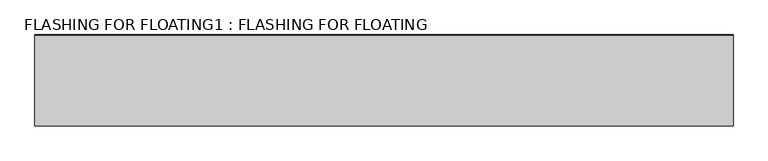
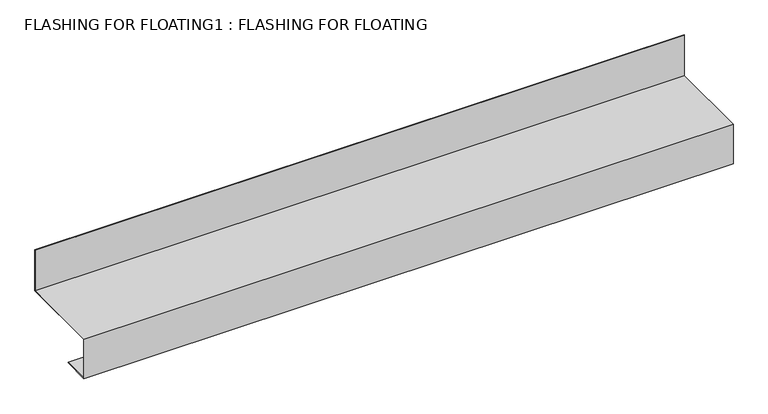
"""IFC4 building model written with IfcOpenShell, lengths in millimetres: proxy geometry, FLASHING FOR FLOATING1 : FLASHING FOR FLOATING."""

from ifc_helpers import new_model, si_unit, frame, origin, place, context, project, spatial, polyline, outline, extrude, source, transform, mapped, element, save


def flashing_for_floating1_flashing_for_floating_c460447f(model_context):
    return source(origin(), model_context, "Body", "SweptSolid", [
        extrude(outline(polyline([(-25142.1493281, 1502.2089236), (-25142.1493281, 1581.2089236), (-25141.1493281, 1581.2089236), (-25141.1493281, 1501.2089236), (-25297.1424752, 1501.2089236), (-25297.1424752, 1425.489287), (-25247.1424752, 1425.489287), (-25247.1424752, 1424.489287), (-25298.1424752, 1424.489287), (-25298.1424752, 1502.2089236), (-25142.1493281, 1502.2089236)])), frame((6415.3725037, 0.0, 0.0), z_axis=(1.0, 0.0, 0.0), x_axis=(0.0, 1.0, 0.0)), (0.0, 0.0, 1.0), 1200.0),
    ])


if __name__ == "__main__":
    model = new_model("IFC4")
    model_context = context("Model", 3, world=origin())
    ifc_project = project(units=[si_unit("LENGTHUNIT", "METRE", prefix="MILLI")], contexts=[model_context])
    site = spatial("IfcSite", under=ifc_project)
    building = spatial("IfcBuilding", under=site)
    placement = place(None, origin())
    flashing_for_floating1_flashing_for_floating_shape = flashing_for_floating1_flashing_for_floating_c460447f(model_context)
    element("IfcBuildingElementProxy", 1, Name="FLASHING FOR FLOATING1 : FLASHING FOR FLOATING", ObjectType="FLASHING FOR FLOATING1 : FLASHING FOR FLOATING", at=placement, inside=building, context=model_context, shape_type="MappedRepresentation", body=[
        mapped(flashing_for_floating1_flashing_for_floating_shape, transform((0.0, 0.0, 0.0), x_axis=(1.0, 0.0, 0.0), y_axis=(0.0, 1.0, 0.0), z_axis=(0.0, 0.0, 1.0))),
    ])
    save(model, "model.ifc")
